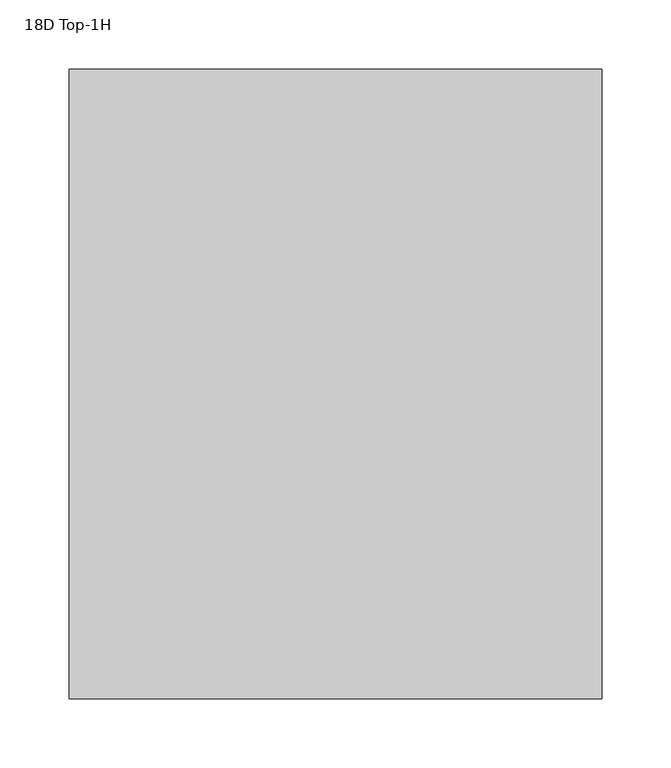
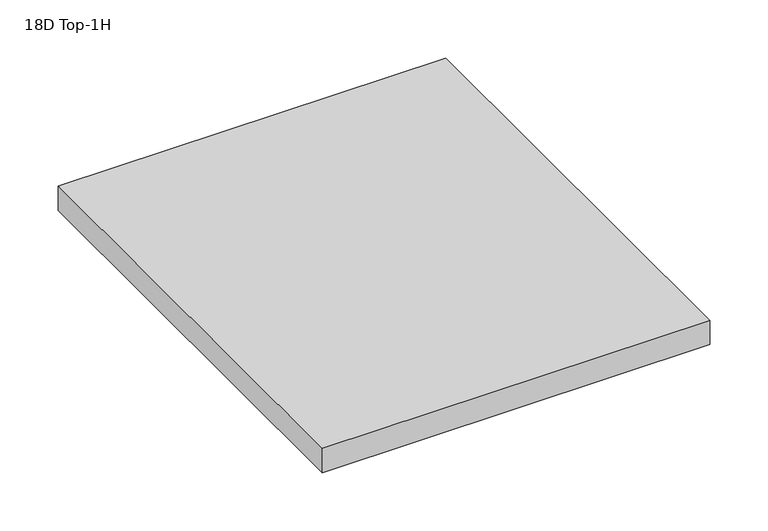
"""IFC4 building model written with IfcOpenShell, lengths in millimetres: furniture geometry, 18D Top-1H."""

from ifc_helpers import new_model, si_unit, frame, origin, place, context, project, spatial, polyline, outline, extrude, source, transform, mapped, element, save


def furniture_18d_top_1h_dfd707fa(model_context):
    return source(origin(), model_context, "Body", "SweptSolid", [
        extrude(outline(polyline([(384.302, -541.5889285), (384.302, -995.6139285), (0.0, -995.6139285), (0.0, -541.5889285), (384.302, -541.5889285)])), frame((0.0, 0.0, 528.32), z_axis=(0.0, 0.0, 1.0), x_axis=(1.0, 0.0, 0.0)), (0.0, 0.0, 1.0), 25.4),
    ])


if __name__ == "__main__":
    model = new_model("IFC4")
    model_context = context("Model", 3, world=origin())
    ifc_project = project(units=[si_unit("LENGTHUNIT", "METRE", prefix="MILLI")], contexts=[model_context])
    site = spatial("IfcSite", under=ifc_project)
    building = spatial("IfcBuilding", under=site)
    placement = place(None, origin())
    furniture_18d_top_1h_shape = furniture_18d_top_1h_dfd707fa(model_context)
    element("IfcFurniture", 1, ObjectType="18D Top-1H", at=placement, inside=building, context=model_context, shape_type="MappedRepresentation", body=[
        mapped(furniture_18d_top_1h_shape, transform((0.0, 0.0, 0.0), x_axis=(1.0, 0.0, 0.0), y_axis=(0.0, 1.0, 0.0), z_axis=(0.0, 0.0, 1.0))),
    ])
    save(model, "model.ifc")
